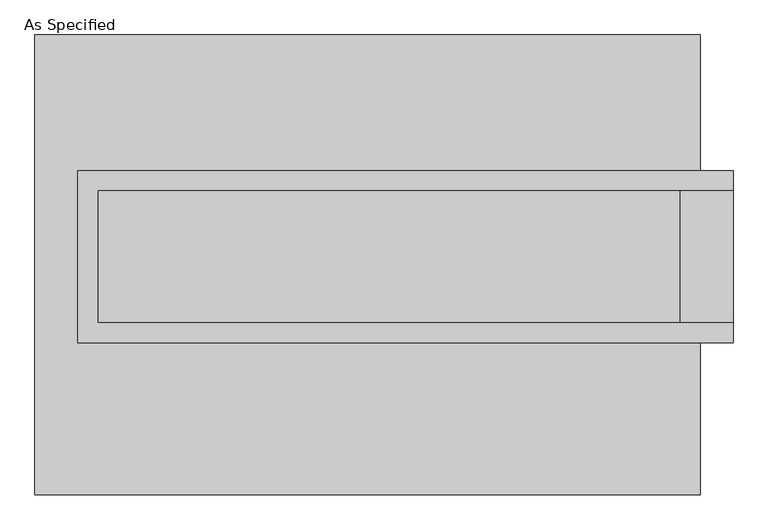
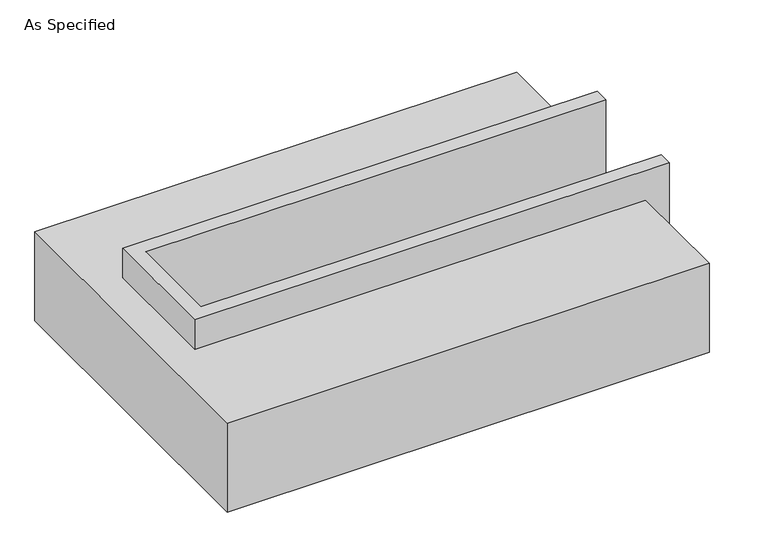
"""IFC4 building model written with IfcOpenShell, lengths in millimetres: proxy geometry, As Specified."""

from ifc_helpers import new_model, si_unit, origin, place, context, project, spatial, faceted_brep, source, transform, mapped, element, save


def as_specified_a4ff65cf(model_context):
    return source(origin(), model_context, "Body", "Brep", [
        faceted_brep([(-1111.25, 361.95, 139.7), (-1111.25, 361.95, -393.7), (-1111.25, 285.75, -393.7), (-1111.25, 285.75, -25.4), (-1111.25, -222.25, -25.4), (-1111.25, -222.25, -393.7), (-1111.25, -298.45, -393.7), (-1111.25, -298.45, 139.7), (1403.35, 285.75, 139.7), (1403.35, 285.75, -317.5), (1403.35, -222.25, -317.5), (1403.35, -222.25, 139.7), (1403.35, -298.45, 139.7), (1403.35, -298.45, -393.7), (1403.35, 361.95, -393.7), (1403.35, 361.95, 139.7), (-1035.05, -222.25, 139.7), (-1035.05, 285.75, 139.7), (1200.15, -222.25, -393.7), (1200.15, 285.75, -393.7), (1200.15, -222.25, -317.5), (-1035.05, -222.25, -25.4), (1200.15, 285.75, -317.5), (-1035.05, 285.75, -25.4)], [[[0, 1, 2, 3, 4, 5, 6, 7]], [[8, 9, 10, 11, 12, 13, 14, 15]], [[0, 7, 12, 11, 16, 17, 8, 15]], [[1, 0, 15, 14]], [[14, 13, 6, 5, 18, 19, 2, 1]], [[7, 6, 13, 12]], [[11, 10, 20, 18, 5, 4, 21, 16]], [[10, 9, 22, 20]], [[9, 8, 17, 23, 3, 2, 19, 22]], [[18, 20, 22, 19]], [[23, 21, 4, 3]], [[17, 16, 21, 23]]]),
        faceted_brep([(-1276.35, 882.65, -523.9742188), (1276.35, 882.65, -523.9742188), (1276.35, -882.65, -523.9742188), (-1276.35, -882.65, -523.9742188), (1276.35, 882.65, -25.4), (-1276.35, 882.65, -25.4), (-1276.35, -882.65, -25.4), (1276.35, -882.65, -25.4), (1276.35, -298.45, -25.4), (-1111.25, -298.45, -25.4), (-1111.25, 361.95, -25.4), (1276.35, 361.95, -25.4), (1276.35, 361.95, -393.7), (1276.35, -298.45, -393.7), (-1111.25, -298.45, -393.7), (-1111.25, 361.95, -393.7)], [[[0, 1, 2, 3]], [[4, 5, 6, 7, 8, 9, 10, 11]], [[1, 0, 5, 4]], [[5, 0, 3, 6]], [[1, 4, 11, 12, 13, 8, 7, 2]], [[3, 2, 7, 6]], [[14, 15, 10, 9]], [[10, 15, 12, 11]], [[15, 14, 13, 12]], [[14, 9, 8, 13]]]),
    ])


if __name__ == "__main__":
    model = new_model("IFC4")
    model_context = context("Model", 3, world=origin())
    ifc_project = project(units=[si_unit("LENGTHUNIT", "METRE", prefix="MILLI")], contexts=[model_context])
    site = spatial("IfcSite", under=ifc_project)
    building = spatial("IfcBuilding", under=site)
    placement = place(None, origin())
    as_specified_shape = as_specified_a4ff65cf(model_context)
    element("IfcBuildingElementProxy", 1, Name="As Specified", ObjectType="As Specified", at=placement, inside=building, context=model_context, shape_type="MappedRepresentation", body=[
        mapped(as_specified_shape, transform((0.0, 0.0, 0.0), x_axis=(1.0, 0.0, 0.0), y_axis=(0.0, 1.0, 0.0), z_axis=(0.0, 0.0, 1.0))),
    ])
    save(model, "model.ifc")
